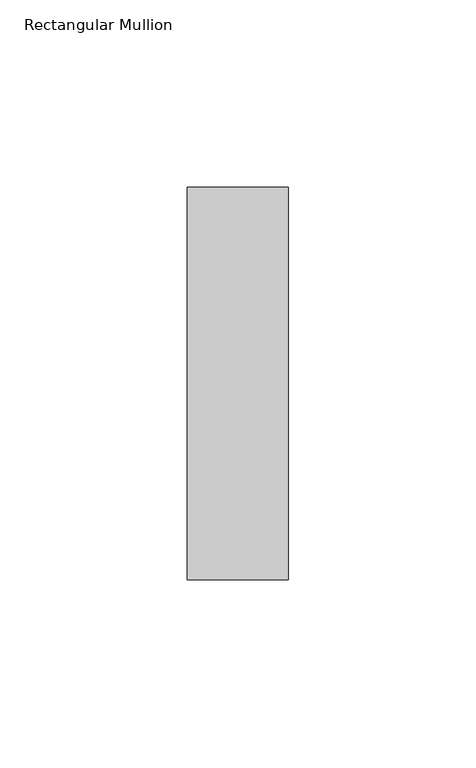
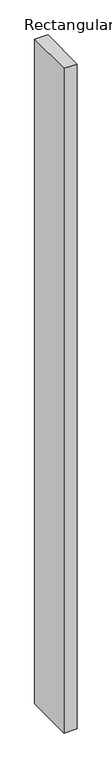
"""IFC4 building model written with IfcOpenShell, lengths in millimetres: member geometry, Rectangular Mullion."""

from ifc_helpers import new_model, si_unit, frame, origin, place, context, project, spatial, polyline, outline, extrude, source, transform, mapped, element, save


def rectangular_mullion_4dcfa065(model_context):
    return source(origin(), model_context, "Body", "SweptSolid", [
        extrude(outline(polyline([(0.0, 52.3975), (0.0, -52.3975), (-27.0, -52.3975), (-27.0, 52.3975), (0.0, 52.3975)])), frame((0.0, 0.0, -1446.0), z_axis=(0.0, 0.0, 1.0), x_axis=(1.0, 0.0, 0.0)), (0.0, 0.0, 1.0), 1446.0),
    ])


if __name__ == "__main__":
    model = new_model("IFC4")
    model_context = context("Model", 3, world=origin())
    ifc_project = project(units=[si_unit("LENGTHUNIT", "METRE", prefix="MILLI")], contexts=[model_context])
    site = spatial("IfcSite", under=ifc_project)
    building = spatial("IfcBuilding", under=site)
    placement = place(None, origin())
    rectangular_mullion_shape = rectangular_mullion_4dcfa065(model_context)
    element("IfcMember", 1, ObjectType="Rectangular Mullion", at=placement, inside=building, context=model_context, shape_type="MappedRepresentation", body=[
        mapped(rectangular_mullion_shape, transform((0.0, 0.0, 0.0), x_axis=(1.0, 0.0, 0.0), y_axis=(0.0, 1.0, 0.0), z_axis=(0.0, 0.0, 1.0))),
    ])
    save(model, "model.ifc")
